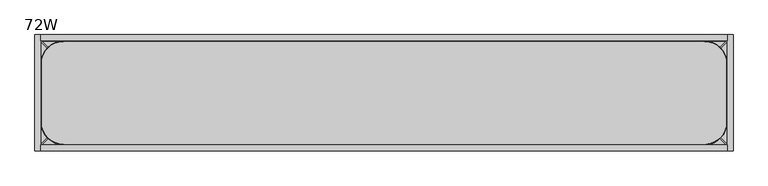
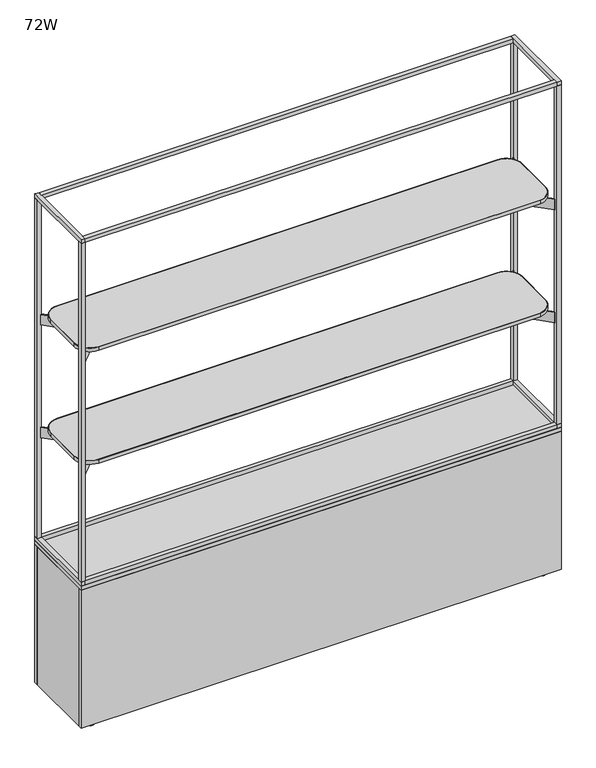
"""IFC4 building model written with IfcOpenShell, lengths in millimetres: furniture geometry, 72W."""

from ifc_helpers import new_model, si_unit, point, frame, frame_2d, origin, place, context, project, spatial, polyline, circle_curve, trimmed, segment, composite_curve, outline, extrude, source, transform, mapped, element, save
from ifc_brep_helpers import plane_surface, cylinder_surface, revolved_surface, advanced_brep


def furniture_72w_34e22013(model_context):
    return source(origin(), model_context, "Body", "SolidModel", [
        extrude(outline(composite_curve([segment(trimmed(circle_curve(frame_2d((75.8254378, -75.8242865)), 59.944), [point((15.8814378, -75.8242865))], [point((75.8254378, -15.8802865))], False, "CARTESIAN"), True, "CONTINUOUS"), segment(polyline([(75.8254378, -15.8802865), (1752.9745622, -15.8802865)]), True, "CONTINUOUS"), segment(trimmed(circle_curve(frame_2d((1752.9745622, -75.8242865)), 59.944), [point((1752.9745622, -15.8802865))], [point((1812.9185622, -75.8242865))], False, "CARTESIAN"), True, "CONTINUOUS"), segment(polyline([(1812.9185622, -75.8242865), (1812.9185622, -229.1877994)]), True, "CONTINUOUS"), segment(trimmed(circle_curve(frame_2d((1752.9745622, -229.1877994)), 59.944), [point((1812.9185622, -229.1877994))], [point((1758.0138969, -288.9196021))], False, "CARTESIAN"), True, "CONTINUOUS"), segment(polyline([(1758.0138969, -288.9196021), (75.9054892, -288.9196021)]), True, "CONTINUOUS"), segment(trimmed(circle_curve(frame_2d((75.9054892, -228.8955507)), 60.0240513), [point((75.9054892, -288.9196021))], [point((15.8814378, -228.8955507))], False, "CARTESIAN"), True, "CONTINUOUS"), segment(polyline([(15.8814378, -228.8955507), (15.8814378, -75.8242865)]), True, "CONTINUOUS")], self_intersect=False), holes=[composite_curve([segment(polyline([(1753.0050916, -17.3811918), (75.7950053, -17.3811918)]), True, "CONTINUOUS"), segment(trimmed(circle_curve(frame_2d((75.7950053, -75.8011918)), 58.42), [point((75.7950053, -17.3811918))], [point((17.3750053, -75.8011918))], True, "CARTESIAN"), True, "CONTINUOUS"), segment(polyline([(17.3750053, -75.8011918), (17.3750053, -228.9211866)]), True, "CONTINUOUS"), segment(trimmed(circle_curve(frame_2d((75.8750567, -228.9211866)), 58.5000513), [point((17.3750053, -228.9211866))], [point((75.8827762, -287.4212374))], True, "CARTESIAN"), True, "CONTINUOUS"), segment(polyline([(75.8827762, -287.4212374), (1757.6701856, -287.4212374)]), True, "CONTINUOUS"), segment(trimmed(circle_curve(frame_2d((1753.0050916, -229.1877994)), 58.42), [point((1757.6701856, -287.4212374))], [point((1811.4250916, -229.1877994))], True, "CARTESIAN"), True, "CONTINUOUS"), segment(polyline([(1811.4250916, -229.1877994), (1811.4250916, -75.8011918)]), True, "CONTINUOUS"), segment(trimmed(circle_curve(frame_2d((1753.0050916, -75.8011918)), 58.42), [point((1811.4250916, -75.8011918))], [point((1753.0050916, -17.3811918))], True, "CARTESIAN"), True, "CONTINUOUS")], self_intersect=False)]), frame((0.0, 0.0, 1504.6380035), z_axis=(0.0, 0.0, 1.0), x_axis=(1.0, 0.0, 0.0)), (0.0, 0.0, 1.0), 13.8177612),
        extrude(outline(polyline([(-161.9665934, 1498.3383551), (-143.317536, 1498.3383551), (-143.317536, 1495.9705532), (-144.4220029, 1494.8660863), (-160.8082501, 1494.8660863), (-161.9665934, 1496.0244297), (-161.9665934, 1498.3383551)])), frame((185.6954716, 0.0, 0.0), z_axis=(1.0, 0.0, 0.0), x_axis=(0.0, 1.0, 0.0)), (0.0, 0.0, 1.0), 1457.4090567),
        extrude(outline(polyline([(-177.0817057, 1504.2068283), (-128.2024237, 1504.2068283), (-128.2024237, 1500.5035098), (-135.8974528, 1496.5826966), (-143.317536, 1494.5944913), (-143.317536, 1498.3383551), (-161.9665934, 1498.3383551), (-161.9665934, 1494.5944913), (-169.3866765, 1496.5826966), (-177.0817057, 1500.5035098), (-177.0817057, 1504.2068283)])), frame((185.6954716, 0.0, 0.0), z_axis=(1.0, 0.0, 0.0), x_axis=(0.0, 1.0, 0.0)), (0.0, 0.0, 1.0), 1457.4090567),
        extrude(outline(polyline([(-161.9665934, 1044.3133551), (-143.317536, 1044.3133551), (-143.317536, 1041.9455532), (-144.4220029, 1040.8410863), (-160.8082501, 1040.8410863), (-161.9665934, 1041.9994297), (-161.9665934, 1044.3133551)])), frame((185.6954716, 0.0, 0.0), z_axis=(1.0, 0.0, 0.0), x_axis=(0.0, 1.0, 0.0)), (0.0, 0.0, 1.0), 1457.4090567),
        extrude(outline(polyline([(-177.0817057, 1050.1818283), (-128.2024237, 1050.1818283), (-128.2024237, 1046.4785098), (-135.8974528, 1042.5576966), (-143.317536, 1040.5694913), (-143.317536, 1044.3133551), (-161.9665934, 1044.3133551), (-161.9665934, 1040.5694913), (-169.3866765, 1042.5576966), (-177.0817057, 1046.4785098), (-177.0817057, 1050.1818283)])), frame((185.6954716, 0.0, 0.0), z_axis=(1.0, 0.0, 0.0), x_axis=(0.0, 1.0, 0.0)), (0.0, 0.0, 1.0), 1457.4090567),
        extrude(outline(composite_curve([segment(trimmed(circle_curve(frame_2d((1753.0050916, -75.8011918)), 58.42), [point((1753.0050916, -17.3811918))], [point((1811.4250916, -75.8011918))], False, "CARTESIAN"), True, "CONTINUOUS"), segment(polyline([(1811.4250916, -75.8011918), (1811.4250916, -229.1877994)]), True, "CONTINUOUS"), segment(trimmed(circle_curve(frame_2d((1753.0050916, -229.1877994)), 58.42), [point((1811.4250916, -229.1877994))], [point((1757.6701856, -287.4212374))], False, "CARTESIAN"), True, "CONTINUOUS"), segment(polyline([(1757.6701856, -287.4212374), (75.8827762, -287.4212374)]), True, "CONTINUOUS"), segment(trimmed(circle_curve(frame_2d((75.8750567, -228.9211866)), 58.5000513), [point((75.8827762, -287.4212374))], [point((17.3750053, -228.9211866))], False, "CARTESIAN"), True, "CONTINUOUS"), segment(polyline([(17.3750053, -228.9211866), (17.3750053, -75.8011918)]), True, "CONTINUOUS"), segment(trimmed(circle_curve(frame_2d((75.7950053, -75.8011918)), 58.42), [point((17.3750053, -75.8011918))], [point((75.7950053, -17.3811918))], False, "CARTESIAN"), True, "CONTINUOUS"), segment(polyline([(75.7950053, -17.3811918), (1753.0050916, -17.3811918)]), True, "CONTINUOUS")], self_intersect=False)), frame((0.0, 0.0, 1504.6380035), z_axis=(0.0, 0.0, 1.0), x_axis=(1.0, 0.0, 0.0)), (0.0, 0.0, 1.0), 13.8177612),
        extrude(outline(composite_curve([segment(trimmed(circle_curve(frame_2d((1752.9745622, -75.8242865)), 59.944), [point((1752.9745622, -15.8802865))], [point((1812.9185622, -75.8242865))], False, "CARTESIAN"), True, "CONTINUOUS"), segment(polyline([(1812.9185622, -75.8242865), (1812.9185622, -229.1877994)]), True, "CONTINUOUS"), segment(trimmed(circle_curve(frame_2d((1752.9745622, -229.1877994)), 59.944), [point((1812.9185622, -229.1877994))], [point((1758.0138969, -288.9196021))], False, "CARTESIAN"), True, "CONTINUOUS"), segment(polyline([(1758.0138969, -288.9196021), (75.9054892, -288.9196021)]), True, "CONTINUOUS"), segment(trimmed(circle_curve(frame_2d((75.9054892, -228.8955507)), 60.0240513), [point((75.9054892, -288.9196021))], [point((15.8814378, -228.8955507))], False, "CARTESIAN"), True, "CONTINUOUS"), segment(polyline([(15.8814378, -228.8955507), (15.8814378, -75.8242865)]), True, "CONTINUOUS"), segment(trimmed(circle_curve(frame_2d((75.8254378, -75.8242865)), 59.944), [point((15.8814378, -75.8242865))], [point((75.8254378, -15.8802865))], False, "CARTESIAN"), True, "CONTINUOUS"), segment(polyline([(75.8254378, -15.8802865), (1752.9745622, -15.8802865)]), True, "CONTINUOUS")], self_intersect=False), holes=[composite_curve([segment(trimmed(circle_curve(frame_2d((75.7950053, -75.8011918)), 58.42), [point((75.7950053, -17.3811918))], [point((17.3750053, -75.8011918))], True, "CARTESIAN"), True, "CONTINUOUS"), segment(polyline([(17.3750053, -75.8011918), (17.3750053, -228.9211866)]), True, "CONTINUOUS"), segment(trimmed(circle_curve(frame_2d((75.8750567, -228.9211866)), 58.5000513), [point((17.3750053, -228.9211866))], [point((75.8827762, -287.4212374))], True, "CARTESIAN"), True, "CONTINUOUS"), segment(polyline([(75.8827762, -287.4212374), (1757.6701856, -287.4212374)]), True, "CONTINUOUS"), segment(trimmed(circle_curve(frame_2d((1753.0050916, -229.1877994)), 58.42), [point((1757.6701856, -287.4212374))], [point((1811.4250916, -229.1877994))], True, "CARTESIAN"), True, "CONTINUOUS"), segment(polyline([(1811.4250916, -229.1877994), (1811.4250916, -75.8011918)]), True, "CONTINUOUS"), segment(trimmed(circle_curve(frame_2d((1753.0050916, -75.8011918)), 58.42), [point((1811.4250916, -75.8011918))], [point((1753.0050916, -17.3811918))], True, "CARTESIAN"), True, "CONTINUOUS"), segment(polyline([(1753.0050916, -17.3811918), (75.7950053, -17.3811918)]), True, "CONTINUOUS")], self_intersect=False)]), frame((0.0, 0.0, 1050.6130035), z_axis=(0.0, 0.0, 1.0), x_axis=(1.0, 0.0, 0.0)), (0.0, 0.0, 1.0), 13.8177612),
        extrude(outline(composite_curve([segment(trimmed(circle_curve(frame_2d((1753.0050916, -75.8011918)), 58.42), [point((1753.0050916, -17.3811918))], [point((1811.4250916, -75.8011918))], False, "CARTESIAN"), True, "CONTINUOUS"), segment(polyline([(1811.4250916, -75.8011918), (1811.4250916, -229.1877994)]), True, "CONTINUOUS"), segment(trimmed(circle_curve(frame_2d((1753.0050916, -229.1877994)), 58.42), [point((1811.4250916, -229.1877994))], [point((1757.6701856, -287.4212374))], False, "CARTESIAN"), True, "CONTINUOUS"), segment(polyline([(1757.6701856, -287.4212374), (75.8827762, -287.4212374)]), True, "CONTINUOUS"), segment(trimmed(circle_curve(frame_2d((75.8750567, -228.9211866)), 58.5000513), [point((75.8827762, -287.4212374))], [point((17.3750053, -228.9211866))], False, "CARTESIAN"), True, "CONTINUOUS"), segment(polyline([(17.3750053, -228.9211866), (17.3750053, -75.8011918)]), True, "CONTINUOUS"), segment(trimmed(circle_curve(frame_2d((75.7950053, -75.8011918)), 58.42), [point((17.3750053, -75.8011918))], [point((75.7950053, -17.3811918))], False, "CARTESIAN"), True, "CONTINUOUS"), segment(polyline([(75.7950053, -17.3811918), (1753.0050916, -17.3811918)]), True, "CONTINUOUS")], self_intersect=False)), frame((0.0, 0.0, 1050.6130035), z_axis=(0.0, 0.0, 1.0), x_axis=(1.0, 0.0, 0.0)), (0.0, 0.0, 1.0), 13.8177612),
        extrude(outline(polyline([(185.6954716, -106.6550188), (185.6954716, -198.1363516), (124.7354716, -198.1363516), (124.7354716, -106.6550188), (185.6954716, -106.6550188)])), frame((0.0, 0.0, 1463.1180573), z_axis=(0.0, 0.0, 1.0), x_axis=(1.0, 0.0, 0.0)), (0.0, 0.0, 1.0), 41.5199463),
        extrude(outline(polyline([(1643.1045284, -106.6550188), (1704.0645284, -106.6550188), (1704.0645284, -198.1363516), (1643.1045284, -198.1363516), (1643.1045284, -106.6550188)])), frame((0.0, 0.0, 1463.1180573), z_axis=(0.0, 0.0, 1.0), x_axis=(1.0, 0.0, 0.0)), (0.0, 0.0, 1.0), 41.5199463),
        extrude(outline(polyline([(185.6954716, -106.6550188), (185.6954716, -198.1363516), (124.7354716, -198.1363516), (124.7354716, -106.6550188), (185.6954716, -106.6550188)])), frame((0.0, 0.0, 1009.0930573), z_axis=(0.0, 0.0, 1.0), x_axis=(1.0, 0.0, 0.0)), (0.0, 0.0, 1.0), 41.5199463),
        extrude(outline(polyline([(1704.0645284, -106.6550188), (1704.0645284, -198.1363516), (1643.1045284, -198.1363516), (1643.1045284, -106.6550188), (1704.0645284, -106.6550188)])), frame((0.0, 0.0, 1009.0930573), z_axis=(0.0, 0.0, 1.0), x_axis=(1.0, 0.0, 0.0)), (0.0, 0.0, 1.0), 41.5199463),
        extrude(outline(composite_curve([segment(polyline([(87.3911774, -89.8157239), (13.4581417, -15.8822522), (15.8765503, -13.4638437), (89.809053, -87.3967582)]), True, "CONTINUOUS"), segment(trimmed(circle_curve(frame_2d((128.3291811, -48.8768447)), 54.4755358), [point((89.809053, -87.3967582))], [point((124.7354716, -103.2337141))], True, "CARTESIAN"), True, "CONTINUOUS"), segment(polyline([(124.7354716, -103.2337141), (1704.0645284, -103.2337141)]), True, "CONTINUOUS"), segment(trimmed(circle_curve(frame_2d((1700.4853714, -48.8831384)), 54.4682976), [point((1704.0645284, -103.2337141))], [point((1739.0002487, -87.3980663))], True, "CARTESIAN"), True, "CONTINUOUS"), segment(polyline([(1739.0002487, -87.3980663), (1812.933139, -13.4652728), (1815.3515597, -15.8836935), (1741.4181244, -89.817032)]), True, "CONTINUOUS"), segment(trimmed(circle_curve(frame_2d((1704.0645284, -56.8031881)), 49.8518307), [point((1741.4181244, -89.817032))], [point((1704.0645284, -106.6550188))], False, "CARTESIAN"), True, "CONTINUOUS"), segment(polyline([(1704.0645284, -106.6550188), (124.7354716, -106.6550188)]), True, "CONTINUOUS"), segment(trimmed(circle_curve(frame_2d((124.7354716, -56.8263835)), 49.8286353), [point((124.7354716, -106.6550188))], [point((87.3911774, -89.8157239))], False, "CARTESIAN"), True, "CONTINUOUS")], self_intersect=False)), frame((0.0, 0.0, 1463.1180573), z_axis=(0.0, 0.0, 1.0), x_axis=(1.0, 0.0, 0.0)), (0.0, 0.0, 1.0), 41.5199463),
        extrude(outline(composite_curve([segment(trimmed(circle_curve(frame_2d((1700.4695146, -255.9344745)), 57.909819), [point((1704.0645284, -198.1363516))], [point((1741.4180275, -214.986136))], False, "CARTESIAN"), True, "CONTINUOUS"), segment(polyline([(1741.4180275, -214.986136), (1815.3448135, -288.9132369), (1812.926405, -291.3316455), (1739.0001518, -217.4051017)]), True, "CONTINUOUS"), segment(trimmed(circle_curve(frame_2d((1704.0645284, -248.0197355)), 46.4516263), [point((1739.0001518, -217.4051017))], [point((1704.0645284, -201.5681092))], True, "CARTESIAN"), True, "CONTINUOUS"), segment(polyline([(1704.0645284, -201.5681092), (124.7354716, -201.5681092)]), True, "CONTINUOUS"), segment(trimmed(circle_curve(frame_2d((128.3250754, -255.9203711)), 54.4706676), [point((124.7354716, -201.5681092))], [point((89.8084717, -217.4038179))], True, "CARTESIAN"), True, "CONTINUOUS"), segment(polyline([(89.8084717, -217.4038179), (15.8821217, -291.3302648), (13.4637131, -288.9118562), (87.390596, -214.9848279)]), True, "CONTINUOUS"), segment(trimmed(circle_curve(frame_2d((124.7354716, -247.9483006)), 49.8119491), [point((87.390596, -214.9848279))], [point((124.7354716, -198.1363516))], False, "CARTESIAN"), True, "CONTINUOUS"), segment(polyline([(124.7354716, -198.1363516), (1704.0645284, -198.1363516)]), True, "CONTINUOUS")], self_intersect=False)), frame((0.0, 0.0, 1463.1180573), z_axis=(0.0, 0.0, 1.0), x_axis=(1.0, 0.0, 0.0)), (0.0, 0.0, 1.0), 41.5199463),
        extrude(outline(composite_curve([segment(polyline([(87.3911774, -89.8157239), (13.4581417, -15.8822522), (15.8765503, -13.4638437), (89.809053, -87.3967582)]), True, "CONTINUOUS"), segment(trimmed(circle_curve(frame_2d((128.3291811, -48.8768447)), 54.4755358), [point((89.809053, -87.3967582))], [point((124.7354716, -103.2337141))], True, "CARTESIAN"), True, "CONTINUOUS"), segment(polyline([(124.7354716, -103.2337141), (1704.0645284, -103.2337141)]), True, "CONTINUOUS"), segment(trimmed(circle_curve(frame_2d((1700.4853714, -48.8831384)), 54.4682976), [point((1704.0645284, -103.2337141))], [point((1739.0002487, -87.3980663))], True, "CARTESIAN"), True, "CONTINUOUS"), segment(polyline([(1739.0002487, -87.3980663), (1812.933139, -13.4652728), (1815.3515597, -15.8836935), (1741.4181244, -89.817032)]), True, "CONTINUOUS"), segment(trimmed(circle_curve(frame_2d((1704.0645284, -56.8031881)), 49.8518307), [point((1741.4181244, -89.817032))], [point((1704.0645284, -106.6550188))], False, "CARTESIAN"), True, "CONTINUOUS"), segment(polyline([(1704.0645284, -106.6550188), (124.7354716, -106.6550188)]), True, "CONTINUOUS"), segment(trimmed(circle_curve(frame_2d((124.7354716, -56.8263835)), 49.8286353), [point((124.7354716, -106.6550188))], [point((87.3911774, -89.8157239))], False, "CARTESIAN"), True, "CONTINUOUS")], self_intersect=False)), frame((0.0, 0.0, 1009.0930573), z_axis=(0.0, 0.0, 1.0), x_axis=(1.0, 0.0, 0.0)), (0.0, 0.0, 1.0), 41.5199463),
        extrude(outline(composite_curve([segment(trimmed(circle_curve(frame_2d((1700.4695146, -255.9344745)), 57.909819), [point((1704.0645284, -198.1363516))], [point((1741.4180275, -214.986136))], False, "CARTESIAN"), True, "CONTINUOUS"), segment(polyline([(1741.4180275, -214.986136), (1815.3448135, -288.9132369), (1812.926405, -291.3316455), (1739.0001518, -217.4051017)]), True, "CONTINUOUS"), segment(trimmed(circle_curve(frame_2d((1704.0645284, -248.0197355)), 46.4516263), [point((1739.0001518, -217.4051017))], [point((1704.0645284, -201.5681092))], True, "CARTESIAN"), True, "CONTINUOUS"), segment(polyline([(1704.0645284, -201.5681092), (124.7354716, -201.5681092)]), True, "CONTINUOUS"), segment(trimmed(circle_curve(frame_2d((128.3250754, -255.9203711)), 54.4706676), [point((124.7354716, -201.5681092))], [point((89.8084717, -217.4038179))], True, "CARTESIAN"), True, "CONTINUOUS"), segment(polyline([(89.8084717, -217.4038179), (15.8821217, -291.3302648), (13.4637131, -288.9118562), (87.390596, -214.9848279)]), True, "CONTINUOUS"), segment(trimmed(circle_curve(frame_2d((124.7354716, -247.9483006)), 49.8119491), [point((87.390596, -214.9848279))], [point((124.7354716, -198.1363516))], False, "CARTESIAN"), True, "CONTINUOUS"), segment(polyline([(124.7354716, -198.1363516), (1704.0645284, -198.1363516)]), True, "CONTINUOUS")], self_intersect=False)), frame((0.0, 0.0, 1009.0930573), z_axis=(0.0, 0.0, 1.0), x_axis=(1.0, 0.0, 0.0)), (0.0, 0.0, 1.0), 41.5199463),
        extrude(outline(polyline([(1812.9185622, 0.0), (1812.9185622, -15.8802865), (15.8814378, -15.8802865), (15.8814378, 0.0), (1812.9185622, 0.0)])), frame((0.0, 0.0, 1969.4305479), z_axis=(0.0, 0.0, 1.0), x_axis=(1.0, 0.0, 0.0)), (0.0, 0.0, 1.0), 15.3798752),
        extrude(outline(polyline([(1812.9185622, -288.9196021), (1812.9185622, -304.8), (15.8814378, -304.8), (15.8814378, -288.9196021), (1812.9185622, -288.9196021)])), frame((0.0, 0.0, 1969.4305479), z_axis=(0.0, 0.0, 1.0), x_axis=(1.0, 0.0, 0.0)), (0.0, 0.0, 1.0), 15.3798752),
        extrude(outline(polyline([(1812.9185622, 0.0), (1812.9185622, -15.8802865), (15.8814378, -15.8802865), (15.8814378, 0.0), (1812.9185622, 0.0)])), frame((0.0, 0.0, 591.366423), z_axis=(0.0, 0.0, 1.0), x_axis=(1.0, 0.0, 0.0)), (0.0, 0.0, 1.0), 15.8800385),
        extrude(outline(polyline([(1812.9185622, -288.9196021), (1812.9185622, -304.8), (15.8814378, -304.8), (15.8814378, -288.9196021), (1812.9185622, -288.9196021)])), frame((0.0, 0.0, 591.366423), z_axis=(0.0, 0.0, 1.0), x_axis=(1.0, 0.0, 0.0)), (0.0, 0.0, 1.0), 15.8800385),
        extrude(outline(polyline([(15.8814378, 0.0), (15.8814378, -15.8802865), (0.0, -15.8802865), (0.0, 0.0), (15.8814378, 0.0)])), frame((0.0, 0.0, 607.2464615), z_axis=(0.0, 0.0, 1.0), x_axis=(1.0, 0.0, 0.0)), (0.0, 0.0, 1.0), 1362.1840864),
        extrude(outline(polyline([(15.8814378, -304.8), (0.0, -304.8), (0.0, -288.9196021), (15.8814378, -288.9196021), (15.8814378, -304.8)])), frame((0.0, 0.0, 607.2464615), z_axis=(0.0, 0.0, 1.0), x_axis=(1.0, 0.0, 0.0)), (0.0, 0.0, 1.0), 1362.1840864),
        extrude(outline(polyline([(1812.9185622, -304.8), (1812.9185622, -288.9196021), (1828.8, -288.9196021), (1828.8, -304.8), (1812.9185622, -304.8)])), frame((0.0, 0.0, 607.2464615), z_axis=(0.0, 0.0, 1.0), x_axis=(1.0, 0.0, 0.0)), (0.0, 0.0, 1.0), 1362.1840864),
        extrude(outline(polyline([(1828.8, 0.0), (1828.8, -15.8802865), (1812.9185622, -15.8802865), (1812.9185622, 0.0), (1828.8, 0.0)])), frame((0.0, 0.0, 607.2464615), z_axis=(0.0, 0.0, 1.0), x_axis=(1.0, 0.0, 0.0)), (0.0, 0.0, 1.0), 1362.1840864),
        extrude(outline(polyline([(15.8814378, 0.0), (15.8814378, -304.8), (0.0, -304.8), (0.0, 0.0), (15.8814378, 0.0)])), frame((0.0, 0.0, 1969.4305479), z_axis=(0.0, 0.0, 1.0), x_axis=(1.0, 0.0, 0.0)), (0.0, 0.0, 1.0), 15.3798752),
        extrude(outline(polyline([(1828.8, 0.0), (1828.8, -304.8), (1812.9185622, -304.8), (1812.9185622, 0.0), (1828.8, 0.0)])), frame((0.0, 0.0, 1969.4305479), z_axis=(0.0, 0.0, 1.0), x_axis=(1.0, 0.0, 0.0)), (0.0, 0.0, 1.0), 15.3798752),
        extrude(outline(polyline([(15.8814378, 0.0), (15.8814378, -304.8), (0.0, -304.8), (0.0, 0.0), (15.8814378, 0.0)])), frame((0.0, 0.0, 591.366423), z_axis=(0.0, 0.0, 1.0), x_axis=(1.0, 0.0, 0.0)), (0.0, 0.0, 1.0), 15.8800385),
        extrude(outline(polyline([(1828.8, 0.0), (1828.8, -304.8), (1812.9185622, -304.8), (1812.9185622, 0.0), (1828.8, 0.0)])), frame((0.0, 0.0, 591.366423), z_axis=(0.0, 0.0, 1.0), x_axis=(1.0, 0.0, 0.0)), (0.0, 0.0, 1.0), 15.8800385),
        advanced_brep(
        [(1761.6272617, -271.5259334, 0.0), (1787.0491543, -271.5259334, 0.0), (1774.338208, -271.5259334, 0.0), (1774.338208, -271.5259334, 19.3136951), (1778.3127534, -271.5259334, 19.3136951), (1770.3636626, -271.5259334, 19.3136951), (1778.3127534, -271.5259334, 17.5685649), (1770.3636626, -271.5259334, 17.5685649), (1779.8118035, -271.5259334, 14.972134), (1768.8646125, -271.5259334, 14.972134), (1782.3357304, -271.5259334, 14.0032892), (1766.3406856, -271.5259334, 14.0032892), (1782.3357304, -271.5259334, 10.3232424), (1766.3406856, -271.5259334, 10.3232424), (1781.3964898, -271.5259334, 10.3232424), (1767.2799262, -271.5259334, 10.3232424), (1781.3964898, -271.5259334, 8.9619405), (1767.2799262, -271.5259334, 8.9619405), (1789.4002193, -271.5259334, 3.3576688), (1759.2761967, -271.5259334, 3.3576688)],
        [
            (0, 1, circle_curve(frame((1774.338208, -271.5259334, 0.0), z_axis=(0.0, 0.0, -1.0), x_axis=(1.0, 0.0, 0.0)), 12.7109463)),
            (1, 2),
            (2, 0),
            (1, 0, circle_curve(frame((1774.338208, -271.5259334, 0.0), z_axis=(0.0, 0.0, -1.0), x_axis=(1.0, 0.0, 0.0)), 12.7109463)),
            (3, 4),
            (4, 5, circle_curve(frame((1774.338208, -271.5259334, 19.3136951), z_axis=(0.0, 0.0, 1.0), x_axis=(1.0, 0.0, 0.0)), 3.9745454)),
            (5, 3),
            (5, 4, circle_curve(frame((1774.338208, -271.5259334, 19.3136951), z_axis=(0.0, 0.0, 1.0), x_axis=(1.0, 0.0, 0.0)), 3.9745454)),
            (4, 6),
            (6, 7, circle_curve(frame((1774.338208, -271.5259334, 17.5685649), z_axis=(0.0, 0.0, 1.0), x_axis=(1.0, 0.0, 0.0)), 3.9745454)),
            (7, 5),
            (7, 6, circle_curve(frame((1774.338208, -271.5259334, 17.5685649), z_axis=(0.0, 0.0, 1.0), x_axis=(1.0, 0.0, 0.0)), 3.9745454)),
            (6, 8),
            (8, 9, circle_curve(frame((1774.338208, -271.5259334, 14.972134), z_axis=(0.0, 0.0, 1.0), x_axis=(1.0, 0.0, 0.0)), 5.4735955)),
            (9, 7),
            (9, 8, circle_curve(frame((1774.338208, -271.5259334, 14.972134), z_axis=(0.0, 0.0, 1.0), x_axis=(1.0, 0.0, 0.0)), 5.4735955)),
            (8, 10),
            (10, 11, circle_curve(frame((1774.338208, -271.5259334, 14.0032892), z_axis=(0.0, 0.0, 1.0), x_axis=(1.0, 0.0, 0.0)), 7.9975224)),
            (11, 9),
            (11, 10, circle_curve(frame((1774.338208, -271.5259334, 14.0032892), z_axis=(0.0, 0.0, 1.0), x_axis=(1.0, 0.0, 0.0)), 7.9975224)),
            (10, 12),
            (12, 13, circle_curve(frame((1774.338208, -271.5259334, 10.3232424), z_axis=(0.0, 0.0, 1.0), x_axis=(1.0, 0.0, 0.0)), 7.9975224)),
            (13, 11),
            (13, 12, circle_curve(frame((1774.338208, -271.5259334, 10.3232424), z_axis=(0.0, 0.0, 1.0), x_axis=(1.0, 0.0, 0.0)), 7.9975224)),
            (12, 14),
            (14, 15, circle_curve(frame((1774.338208, -271.5259334, 10.3232424), z_axis=(0.0, 0.0, 1.0), x_axis=(1.0, 0.0, 0.0)), 7.0582818)),
            (15, 13),
            (15, 14, circle_curve(frame((1774.338208, -271.5259334, 10.3232424), z_axis=(0.0, 0.0, 1.0), x_axis=(1.0, 0.0, 0.0)), 7.0582818)),
            (14, 16),
            (16, 17, circle_curve(frame((1774.338208, -271.5259334, 8.9619405), z_axis=(0.0, 0.0, 1.0), x_axis=(1.0, 0.0, 0.0)), 7.0582818)),
            (17, 15),
            (17, 16, circle_curve(frame((1774.338208, -271.5259334, 8.9619405), z_axis=(0.0, 0.0, 1.0), x_axis=(1.0, 0.0, 0.0)), 7.0582818)),
            (16, 18),
            (18, 19, circle_curve(frame((1774.338208, -271.5259334, 3.3576688), z_axis=(0.0, 0.0, 1.0), x_axis=(1.0, 0.0, 0.0)), 15.0620113)),
            (19, 17),
            (19, 18, circle_curve(frame((1774.338208, -271.5259334, 3.3576688), z_axis=(0.0, 0.0, 1.0), x_axis=(1.0, 0.0, 0.0)), 15.0620113)),
            (18, 1),
            (0, 19),
        ],
        [
            plane_surface(frame((1774.338208, -271.5259334, 0.0), z_axis=(0.0, 0.0, -1.0), x_axis=(1.0, 0.0, 0.0))),
            plane_surface(frame((1774.338208, -271.5259334, 19.3136951), z_axis=(0.0, 0.0, 1.0), x_axis=(1.0, 0.0, 0.0))),
            cylinder_surface(frame((1774.338208, -271.5259334, -304.8), z_axis=(0.0, 0.0, 1.0), x_axis=(1.0, 0.0, 0.0)), 3.9745454),
            revolved_surface(polyline([(1779.8118035, -271.5259334, 14.972134), (1778.3127534, -271.5259334, 17.5685649)]), (1774.338208, -271.5259334, -304.8), (0.0, 0.0, 1.0)),
            revolved_surface(polyline([(1782.3357304, -271.5259334, 14.0032892), (1779.8118035, -271.5259334, 14.972134)]), (1774.338208, -271.5259334, -304.8), (0.0, 0.0, 1.0)),
            cylinder_surface(frame((1774.338208, -271.5259334, -304.8), z_axis=(0.0, 0.0, 1.0), x_axis=(1.0, 0.0, 0.0)), 7.9975224),
            plane_surface(frame((1774.338208, -271.5259334, 10.3232424), z_axis=(0.0, 0.0, -1.0), x_axis=(1.0, 0.0, 0.0))),
            cylinder_surface(frame((1774.338208, -271.5259334, -304.8), z_axis=(0.0, 0.0, 1.0), x_axis=(1.0, 0.0, 0.0)), 7.0582818),
            revolved_surface(polyline([(1789.4002193, -271.5259334, 3.3576688), (1781.3964898, -271.5259334, 8.9619405)]), (1774.338208, -271.5259334, -304.8), (0.0, 0.0, 1.0)),
            revolved_surface(polyline([(1787.0491543, -271.5259334, 0.0), (1789.4002193, -271.5259334, 3.3576688)]), (1774.338208, -271.5259334, -304.8), (0.0, 0.0, 1.0)),
        ],
        [
            (0, [[1, 2, 3]]),
            (0, [[4, -3, -2]]),
            (1, [[5, 6, 7]]),
            (1, [[-7, 8, -5]]),
            (2, [[-6, 9, 10, 11]]),
            (2, [[-8, -11, 12, -9]]),
            (3, [[-10, 13, 14, 15]]),
            (3, [[-12, -15, 16, -13]]),
            (4, [[-14, 17, 18, 19]]),
            (4, [[-16, -19, 20, -17]]),
            (5, [[-18, 21, 22, 23]]),
            (5, [[-20, -23, 24, -21]]),
            (6, [[-22, 25, 26, 27]]),
            (6, [[-24, -27, 28, -25]]),
            (7, [[-26, 29, 30, 31]]),
            (7, [[-28, -31, 32, -29]]),
            (8, [[-30, 33, 34, 35]]),
            (8, [[-32, -35, 36, -33]]),
            (9, [[-34, 37, -1, 38]]),
            (9, [[-36, -38, -4, -37]]),
        ],
    ),
        advanced_brep(
        [(1761.6272617, -33.2572239, 0.0), (1787.0491543, -33.2572239, 0.0), (1774.338208, -33.2572239, 0.0), (1774.338208, -33.2572239, 19.3136951), (1778.3127534, -33.2572239, 19.3136951), (1770.3636626, -33.2572239, 19.3136951), (1778.3127534, -33.2572239, 17.5685649), (1770.3636626, -33.2572239, 17.5685649), (1779.8118035, -33.2572239, 14.972134), (1768.8646125, -33.2572239, 14.972134), (1782.3357304, -33.2572239, 14.0032892), (1766.3406856, -33.2572239, 14.0032892), (1782.3357304, -33.2572239, 10.3232424), (1766.3406856, -33.2572239, 10.3232424), (1781.3964898, -33.2572239, 10.3232424), (1767.2799262, -33.2572239, 10.3232424), (1781.3964898, -33.2572239, 8.9619405), (1767.2799262, -33.2572239, 8.9619405), (1789.4002193, -33.2572239, 3.3576688), (1759.2761967, -33.2572239, 3.3576688)],
        [
            (0, 1, circle_curve(frame((1774.338208, -33.2572239, 0.0), z_axis=(0.0, 0.0, -1.0), x_axis=(1.0, 0.0, 0.0)), 12.7109463)),
            (1, 2),
            (2, 0),
            (1, 0, circle_curve(frame((1774.338208, -33.2572239, 0.0), z_axis=(0.0, 0.0, -1.0), x_axis=(1.0, 0.0, 0.0)), 12.7109463)),
            (3, 4),
            (4, 5, circle_curve(frame((1774.338208, -33.2572239, 19.3136951), z_axis=(0.0, 0.0, 1.0), x_axis=(1.0, 0.0, 0.0)), 3.9745454)),
            (5, 3),
            (5, 4, circle_curve(frame((1774.338208, -33.2572239, 19.3136951), z_axis=(0.0, 0.0, 1.0), x_axis=(1.0, 0.0, 0.0)), 3.9745454)),
            (4, 6),
            (6, 7, circle_curve(frame((1774.338208, -33.2572239, 17.5685649), z_axis=(0.0, 0.0, 1.0), x_axis=(1.0, 0.0, 0.0)), 3.9745454)),
            (7, 5),
            (7, 6, circle_curve(frame((1774.338208, -33.2572239, 17.5685649), z_axis=(0.0, 0.0, 1.0), x_axis=(1.0, 0.0, 0.0)), 3.9745454)),
            (6, 8),
            (8, 9, circle_curve(frame((1774.338208, -33.2572239, 14.972134), z_axis=(0.0, 0.0, 1.0), x_axis=(1.0, 0.0, 0.0)), 5.4735955)),
            (9, 7),
            (9, 8, circle_curve(frame((1774.338208, -33.2572239, 14.972134), z_axis=(0.0, 0.0, 1.0), x_axis=(1.0, 0.0, 0.0)), 5.4735955)),
            (8, 10),
            (10, 11, circle_curve(frame((1774.338208, -33.2572239, 14.0032892), z_axis=(0.0, 0.0, 1.0), x_axis=(1.0, 0.0, 0.0)), 7.9975224)),
            (11, 9),
            (11, 10, circle_curve(frame((1774.338208, -33.2572239, 14.0032892), z_axis=(0.0, 0.0, 1.0), x_axis=(1.0, 0.0, 0.0)), 7.9975224)),
            (10, 12),
            (12, 13, circle_curve(frame((1774.338208, -33.2572239, 10.3232424), z_axis=(0.0, 0.0, 1.0), x_axis=(1.0, 0.0, 0.0)), 7.9975224)),
            (13, 11),
            (13, 12, circle_curve(frame((1774.338208, -33.2572239, 10.3232424), z_axis=(0.0, 0.0, 1.0), x_axis=(1.0, 0.0, 0.0)), 7.9975224)),
            (12, 14),
            (14, 15, circle_curve(frame((1774.338208, -33.2572239, 10.3232424), z_axis=(0.0, 0.0, 1.0), x_axis=(1.0, 0.0, 0.0)), 7.0582818)),
            (15, 13),
            (15, 14, circle_curve(frame((1774.338208, -33.2572239, 10.3232424), z_axis=(0.0, 0.0, 1.0), x_axis=(1.0, 0.0, 0.0)), 7.0582818)),
            (14, 16),
            (16, 17, circle_curve(frame((1774.338208, -33.2572239, 8.9619405), z_axis=(0.0, 0.0, 1.0), x_axis=(1.0, 0.0, 0.0)), 7.0582818)),
            (17, 15),
            (17, 16, circle_curve(frame((1774.338208, -33.2572239, 8.9619405), z_axis=(0.0, 0.0, 1.0), x_axis=(1.0, 0.0, 0.0)), 7.0582818)),
            (16, 18),
            (18, 19, circle_curve(frame((1774.338208, -33.2572239, 3.3576688), z_axis=(0.0, 0.0, 1.0), x_axis=(1.0, 0.0, 0.0)), 15.0620113)),
            (19, 17),
            (19, 18, circle_curve(frame((1774.338208, -33.2572239, 3.3576688), z_axis=(0.0, 0.0, 1.0), x_axis=(1.0, 0.0, 0.0)), 15.0620113)),
            (18, 1),
            (0, 19),
        ],
        [
            plane_surface(frame((1774.338208, -33.2572239, 0.0), z_axis=(0.0, 0.0, -1.0), x_axis=(1.0, 0.0, 0.0))),
            plane_surface(frame((1774.338208, -33.2572239, 19.3136951), z_axis=(0.0, 0.0, 1.0), x_axis=(1.0, 0.0, 0.0))),
            cylinder_surface(frame((1774.338208, -33.2572239, -304.8), z_axis=(0.0, 0.0, 1.0), x_axis=(1.0, 0.0, 0.0)), 3.9745454),
            revolved_surface(polyline([(1779.8118035, -33.2572239, 14.972134), (1778.3127534, -33.2572239, 17.5685649)]), (1774.338208, -33.2572239, -304.8), (0.0, 0.0, 1.0)),
            revolved_surface(polyline([(1782.3357304, -33.2572239, 14.0032892), (1779.8118035, -33.2572239, 14.972134)]), (1774.338208, -33.2572239, -304.8), (0.0, 0.0, 1.0)),
            cylinder_surface(frame((1774.338208, -33.2572239, -304.8), z_axis=(0.0, 0.0, 1.0), x_axis=(1.0, 0.0, 0.0)), 7.9975224),
            plane_surface(frame((1774.338208, -33.2572239, 10.3232424), z_axis=(0.0, 0.0, -1.0), x_axis=(1.0, 0.0, 0.0))),
            cylinder_surface(frame((1774.338208, -33.2572239, -304.8), z_axis=(0.0, 0.0, 1.0), x_axis=(1.0, 0.0, 0.0)), 7.0582818),
            revolved_surface(polyline([(1789.4002193, -33.2572239, 3.3576688), (1781.3964898, -33.2572239, 8.9619405)]), (1774.338208, -33.2572239, -304.8), (0.0, 0.0, 1.0)),
            revolved_surface(polyline([(1787.0491543, -33.2572239, 0.0), (1789.4002193, -33.2572239, 3.3576688)]), (1774.338208, -33.2572239, -304.8), (0.0, 0.0, 1.0)),
        ],
        [
            (0, [[1, 2, 3]]),
            (0, [[4, -3, -2]]),
            (1, [[5, 6, 7]]),
            (1, [[-7, 8, -5]]),
            (2, [[-6, 9, 10, 11]]),
            (2, [[-8, -11, 12, -9]]),
            (3, [[-10, 13, 14, 15]]),
            (3, [[-12, -15, 16, -13]]),
            (4, [[-14, 17, 18, 19]]),
            (4, [[-16, -19, 20, -17]]),
            (5, [[-18, 21, 22, 23]]),
            (5, [[-20, -23, 24, -21]]),
            (6, [[-22, 25, 26, 27]]),
            (6, [[-24, -27, 28, -25]]),
            (7, [[-26, 29, 30, 31]]),
            (7, [[-28, -31, 32, -29]]),
            (8, [[-30, 33, 34, 35]]),
            (8, [[-32, -35, 36, -33]]),
            (9, [[-34, 37, -1, 38]]),
            (9, [[-36, -38, -4, -37]]),
        ],
    ),
        advanced_brep(
        [(67.1725886, -272.2343697, 0.0), (41.7506961, -272.23434, 0.0), (54.4616423, -272.2343548, 0.0), (54.4616423, -272.2343548, 19.3136951), (50.4870969, -272.2343502, 19.3136951), (58.4361878, -272.2343595, 19.3136951), (50.4870969, -272.2343502, 17.5685649), (58.4361878, -272.2343595, 17.5685649), (48.9880468, -272.2343485, 14.972134), (59.9352379, -272.2343612, 14.972134), (46.46412, -272.2343455, 14.0032892), (62.4591647, -272.2343642, 14.0032892), (46.46412, -272.2343455, 10.3232424), (62.4591647, -272.2343642, 10.3232424), (47.4033606, -272.2343466, 10.3232424), (61.5199241, -272.2343631, 10.3232424), (47.4033606, -272.2343466, 8.9619405), (61.5199241, -272.2343631, 8.9619405), (39.3996311, -272.2343373, 3.3576688), (69.5236536, -272.2343724, 3.3576688)],
        [
            (0, 1, circle_curve(frame((54.4616423, -272.2343548, 0.0), z_axis=(0.0, 0.0, -1.0), x_axis=(-0.999999999999319, 1.1670755062646865e-06, 0.0)), 12.7109463)),
            (1, 2),
            (2, 0),
            (1, 0, circle_curve(frame((54.4616423, -272.2343548, 0.0), z_axis=(0.0, 0.0, -1.0), x_axis=(-0.999999999999319, 1.1670755062646865e-06, 0.0)), 12.7109463)),
            (3, 4),
            (4, 5, circle_curve(frame((54.4616423, -272.2343548, 19.3136951), z_axis=(0.0, 0.0, 1.0), x_axis=(-0.999999999999319, 1.1670755062646865e-06, 0.0)), 3.9745454)),
            (5, 3),
            (5, 4, circle_curve(frame((54.4616423, -272.2343548, 19.3136951), z_axis=(0.0, 0.0, 1.0), x_axis=(-0.999999999999319, 1.1670755062646865e-06, 0.0)), 3.9745454)),
            (4, 6),
            (6, 7, circle_curve(frame((54.4616423, -272.2343548, 17.5685649), z_axis=(0.0, 0.0, 1.0), x_axis=(-0.999999999999319, 1.1670755062646865e-06, 0.0)), 3.9745454)),
            (7, 5),
            (7, 6, circle_curve(frame((54.4616423, -272.2343548, 17.5685649), z_axis=(0.0, 0.0, 1.0), x_axis=(-0.999999999999319, 1.1670755062646865e-06, 0.0)), 3.9745454)),
            (6, 8),
            (8, 9, circle_curve(frame((54.4616423, -272.2343548, 14.972134), z_axis=(0.0, 0.0, 1.0), x_axis=(-0.999999999999319, 1.1670755062646865e-06, 0.0)), 5.4735955)),
            (9, 7),
            (9, 8, circle_curve(frame((54.4616423, -272.2343548, 14.972134), z_axis=(0.0, 0.0, 1.0), x_axis=(-0.999999999999319, 1.1670755062646865e-06, 0.0)), 5.4735955)),
            (8, 10),
            (10, 11, circle_curve(frame((54.4616423, -272.2343548, 14.0032892), z_axis=(0.0, 0.0, 1.0), x_axis=(-0.999999999999319, 1.1670755062646865e-06, 0.0)), 7.9975224)),
            (11, 9),
            (11, 10, circle_curve(frame((54.4616423, -272.2343548, 14.0032892), z_axis=(0.0, 0.0, 1.0), x_axis=(-0.999999999999319, 1.1670755062646865e-06, 0.0)), 7.9975224)),
            (10, 12),
            (12, 13, circle_curve(frame((54.4616423, -272.2343548, 10.3232424), z_axis=(0.0, 0.0, 1.0), x_axis=(-0.999999999999319, 1.1670755062646865e-06, 0.0)), 7.9975224)),
            (13, 11),
            (13, 12, circle_curve(frame((54.4616423, -272.2343548, 10.3232424), z_axis=(0.0, 0.0, 1.0), x_axis=(-0.999999999999319, 1.1670755062646865e-06, 0.0)), 7.9975224)),
            (12, 14),
            (14, 15, circle_curve(frame((54.4616423, -272.2343548, 10.3232424), z_axis=(0.0, 0.0, 1.0), x_axis=(-0.999999999999319, 1.1670755062646865e-06, 0.0)), 7.0582818)),
            (15, 13),
            (15, 14, circle_curve(frame((54.4616423, -272.2343548, 10.3232424), z_axis=(0.0, 0.0, 1.0), x_axis=(-0.999999999999319, 1.1670755062646865e-06, 0.0)), 7.0582818)),
            (14, 16),
            (16, 17, circle_curve(frame((54.4616423, -272.2343548, 8.9619405), z_axis=(0.0, 0.0, 1.0), x_axis=(-0.999999999999319, 1.1670755062646865e-06, 0.0)), 7.0582818)),
            (17, 15),
            (17, 16, circle_curve(frame((54.4616423, -272.2343548, 8.9619405), z_axis=(0.0, 0.0, 1.0), x_axis=(-0.999999999999319, 1.1670755062646865e-06, 0.0)), 7.0582818)),
            (16, 18),
            (18, 19, circle_curve(frame((54.4616423, -272.2343548, 3.3576688), z_axis=(0.0, 0.0, 1.0), x_axis=(-0.999999999999319, 1.1670755062646865e-06, 0.0)), 15.0620113)),
            (19, 17),
            (19, 18, circle_curve(frame((54.4616423, -272.2343548, 3.3576688), z_axis=(0.0, 0.0, 1.0), x_axis=(-0.999999999999319, 1.1670755062646865e-06, 0.0)), 15.0620113)),
            (18, 1),
            (0, 19),
        ],
        [
            plane_surface(frame((54.4616423, -272.2343548, 0.0), z_axis=(0.0, 0.0, -1.0), x_axis=(-0.999999999999319, 1.1670755062646865e-06, 0.0))),
            plane_surface(frame((54.4616423, -272.2343548, 19.3136951), z_axis=(0.0, 0.0, 1.0), x_axis=(-0.999999999999319, 1.1670755062646865e-06, 0.0))),
            cylinder_surface(frame((54.4616423, -272.2343548, -304.8), z_axis=(0.0, 0.0, 1.0), x_axis=(-0.999999999999319, 1.1670755062646865e-06, 0.0)), 3.9745454),
            revolved_surface(polyline([(48.9880468, -272.2343485, 14.972134), (50.4870969, -272.2343502, 17.5685649)]), (54.4616423, -272.2343548, -304.8), (0.0, 0.0, 1.0)),
            revolved_surface(polyline([(46.46412, -272.2343455, 14.0032892), (48.9880468, -272.2343485, 14.972134)]), (54.4616423, -272.2343548, -304.8), (0.0, 0.0, 1.0)),
            cylinder_surface(frame((54.4616423, -272.2343548, -304.8), z_axis=(0.0, 0.0, 1.0), x_axis=(-0.999999999999319, 1.1670755062646865e-06, 0.0)), 7.9975224),
            plane_surface(frame((54.4616423, -272.2343548, 10.3232424), z_axis=(0.0, 0.0, -1.0), x_axis=(-0.999999999999319, 1.1670755062646865e-06, 0.0))),
            cylinder_surface(frame((54.4616423, -272.2343548, -304.8), z_axis=(0.0, 0.0, 1.0), x_axis=(-0.999999999999319, 1.1670755062646865e-06, 0.0)), 7.0582818),
            revolved_surface(polyline([(39.3996311, -272.2343373, 3.3576688), (47.4033606, -272.2343466, 8.9619405)]), (54.4616423, -272.2343548, -304.8), (0.0, 0.0, 1.0)),
            revolved_surface(polyline([(41.7506961, -272.23434, 0.0), (39.3996311, -272.2343373, 3.3576688)]), (54.4616423, -272.2343548, -304.8), (0.0, 0.0, 1.0)),
        ],
        [
            (0, [[1, 2, 3]]),
            (0, [[4, -3, -2]]),
            (1, [[5, 6, 7]]),
            (1, [[-7, 8, -5]]),
            (2, [[-6, 9, 10, 11]]),
            (2, [[-8, -11, 12, -9]]),
            (3, [[-10, 13, 14, 15]]),
            (3, [[-12, -15, 16, -13]]),
            (4, [[-14, 17, 18, 19]]),
            (4, [[-16, -19, 20, -17]]),
            (5, [[-18, 21, 22, 23]]),
            (5, [[-20, -23, 24, -21]]),
            (6, [[-22, 25, 26, 27]]),
            (6, [[-24, -27, 28, -25]]),
            (7, [[-26, 29, 30, 31]]),
            (7, [[-28, -31, 32, -29]]),
            (8, [[-30, 33, 34, 35]]),
            (8, [[-32, -35, 36, -33]]),
            (9, [[-34, 37, -1, 38]]),
            (9, [[-36, -38, -4, -37]]),
        ],
    ),
        advanced_brep(
        [(54.461792, -33.2572239, 0.0), (41.7508457, -33.2572239, 0.0), (67.1727383, -33.2572239, 0.0), (58.4363374, -33.2572239, 19.3136951), (50.4872466, -33.2572239, 19.3136951), (54.461792, -33.2572239, 19.3136951), (58.4363374, -33.2572239, 17.5685649), (50.4872466, -33.2572239, 17.5685649), (59.9353875, -33.2572239, 14.972134), (48.9881965, -33.2572239, 14.972134), (62.4593144, -33.2572239, 14.0032892), (46.4642696, -33.2572239, 14.0032892), (62.4593144, -33.2572239, 10.3232424), (46.4642696, -33.2572239, 10.3232424), (61.5200738, -33.2572239, 10.3232424), (47.4035102, -33.2572239, 10.3232424), (61.5200738, -33.2572239, 8.9619405), (47.4035102, -33.2572239, 8.9619405), (69.5238033, -33.2572239, 3.3576688), (39.3997807, -33.2572239, 3.3576688)],
        [
            (0, 1),
            (1, 2, circle_curve(frame((54.461792, -33.2572239, 0.0), z_axis=(0.0, 0.0, -1.0), x_axis=(-1.0, 0.0, 0.0)), 12.7109463)),
            (2, 0),
            (2, 1, circle_curve(frame((54.461792, -33.2572239, 0.0), z_axis=(0.0, 0.0, -1.0), x_axis=(-1.0, 0.0, 0.0)), 12.7109463)),
            (3, 4, circle_curve(frame((54.461792, -33.2572239, 19.3136951), z_axis=(0.0, 0.0, 1.0), x_axis=(-1.0, 0.0, 0.0)), 3.9745454)),
            (4, 5),
            (5, 3),
            (4, 3, circle_curve(frame((54.461792, -33.2572239, 19.3136951), z_axis=(0.0, 0.0, 1.0), x_axis=(-1.0, 0.0, 0.0)), 3.9745454)),
            (6, 7, circle_curve(frame((54.461792, -33.2572239, 17.5685649), z_axis=(0.0, 0.0, 1.0), x_axis=(-1.0, 0.0, 0.0)), 3.9745454)),
            (7, 4),
            (3, 6),
            (7, 6, circle_curve(frame((54.461792, -33.2572239, 17.5685649), z_axis=(0.0, 0.0, 1.0), x_axis=(-1.0, 0.0, 0.0)), 3.9745454)),
            (8, 9, circle_curve(frame((54.461792, -33.2572239, 14.972134), z_axis=(0.0, 0.0, 1.0), x_axis=(-1.0, 0.0, 0.0)), 5.4735955)),
            (9, 7),
            (6, 8),
            (9, 8, circle_curve(frame((54.461792, -33.2572239, 14.972134), z_axis=(0.0, 0.0, 1.0), x_axis=(-1.0, 0.0, 0.0)), 5.4735955)),
            (10, 11, circle_curve(frame((54.461792, -33.2572239, 14.0032892), z_axis=(0.0, 0.0, 1.0), x_axis=(-1.0, 0.0, 0.0)), 7.9975224)),
            (11, 9),
            (8, 10),
            (11, 10, circle_curve(frame((54.461792, -33.2572239, 14.0032892), z_axis=(0.0, 0.0, 1.0), x_axis=(-1.0, 0.0, 0.0)), 7.9975224)),
            (12, 13, circle_curve(frame((54.461792, -33.2572239, 10.3232424), z_axis=(0.0, 0.0, 1.0), x_axis=(-1.0, 0.0, 0.0)), 7.9975224)),
            (13, 11),
            (10, 12),
            (13, 12, circle_curve(frame((54.461792, -33.2572239, 10.3232424), z_axis=(0.0, 0.0, 1.0), x_axis=(-1.0, 0.0, 0.0)), 7.9975224)),
            (14, 15, circle_curve(frame((54.461792, -33.2572239, 10.3232424), z_axis=(0.0, 0.0, 1.0), x_axis=(-1.0, 0.0, 0.0)), 7.0582818)),
            (15, 13),
            (12, 14),
            (15, 14, circle_curve(frame((54.461792, -33.2572239, 10.3232424), z_axis=(0.0, 0.0, 1.0), x_axis=(-1.0, 0.0, 0.0)), 7.0582818)),
            (16, 17, circle_curve(frame((54.461792, -33.2572239, 8.9619405), z_axis=(0.0, 0.0, 1.0), x_axis=(-1.0, 0.0, 0.0)), 7.0582818)),
            (17, 15),
            (14, 16),
            (17, 16, circle_curve(frame((54.461792, -33.2572239, 8.9619405), z_axis=(0.0, 0.0, 1.0), x_axis=(-1.0, 0.0, 0.0)), 7.0582818)),
            (18, 19, circle_curve(frame((54.461792, -33.2572239, 3.3576688), z_axis=(0.0, 0.0, 1.0), x_axis=(-1.0, 0.0, 0.0)), 15.0620113)),
            (19, 17),
            (16, 18),
            (19, 18, circle_curve(frame((54.461792, -33.2572239, 3.3576688), z_axis=(0.0, 0.0, 1.0), x_axis=(-1.0, 0.0, 0.0)), 15.0620113)),
            (1, 19),
            (18, 2),
        ],
        [
            plane_surface(frame((54.461792, -33.2572239, 0.0), z_axis=(0.0, 0.0, -1.0), x_axis=(-1.0, 0.0, 0.0))),
            plane_surface(frame((54.461792, -33.2572239, 19.3136951), z_axis=(0.0, 0.0, 1.0), x_axis=(-1.0, 0.0, 0.0))),
            cylinder_surface(frame((54.461792, -33.2572239, -304.8), z_axis=(0.0, 0.0, -1.0), x_axis=(-1.0, 0.0, 0.0)), 3.9745454),
            revolved_surface(polyline([(50.4872466, -33.2572239, 17.5685649), (48.9881965, -33.2572239, 14.972134)]), (54.461792, -33.2572239, -304.8), (0.0, 0.0, -1.0)),
            revolved_surface(polyline([(48.9881965, -33.2572239, 14.972134), (46.4642696, -33.2572239, 14.0032892)]), (54.461792, -33.2572239, -304.8), (0.0, 0.0, -1.0)),
            cylinder_surface(frame((54.461792, -33.2572239, -304.8), z_axis=(0.0, 0.0, -1.0), x_axis=(-1.0, 0.0, 0.0)), 7.9975224),
            plane_surface(frame((54.461792, -33.2572239, 10.3232424), z_axis=(0.0, 0.0, -1.0), x_axis=(-1.0, 0.0, 0.0))),
            cylinder_surface(frame((54.461792, -33.2572239, -304.8), z_axis=(0.0, 0.0, -1.0), x_axis=(-1.0, 0.0, 0.0)), 7.0582818),
            revolved_surface(polyline([(47.4035102, -33.2572239, 8.9619405), (39.3997807, -33.2572239, 3.3576688)]), (54.461792, -33.2572239, -304.8), (0.0, 0.0, -1.0)),
            revolved_surface(polyline([(39.3997807, -33.2572239, 3.3576688), (41.7508457, -33.2572239, 0.0)]), (54.461792, -33.2572239, -304.8), (0.0, 0.0, -1.0)),
        ],
        [
            (0, [[1, 2, 3]]),
            (0, [[-3, 4, -1]]),
            (1, [[5, 6, 7]]),
            (1, [[8, -7, -6]]),
            (2, [[9, 10, -5, 11]]),
            (2, [[12, -11, -8, -10]]),
            (3, [[13, 14, -9, 15]]),
            (3, [[16, -15, -12, -14]]),
            (4, [[17, 18, -13, 19]]),
            (4, [[20, -19, -16, -18]]),
            (5, [[21, 22, -17, 23]]),
            (5, [[24, -23, -20, -22]]),
            (6, [[25, 26, -21, 27]]),
            (6, [[28, -27, -24, -26]]),
            (7, [[29, 30, -25, 31]]),
            (7, [[32, -31, -28, -30]]),
            (8, [[33, 34, -29, 35]]),
            (8, [[36, -35, -32, -34]]),
            (9, [[-2, 37, -33, 38]]),
            (9, [[-4, -38, -36, -37]]),
        ],
    ),
        extrude(outline(polyline([(1828.8, 0.0), (1828.8, -304.8), (0.0, -304.8), (0.0, 0.0), (1828.8, 0.0)])), frame((0.0, 0.0, 575.4863846), z_axis=(0.0, 0.0, 1.0), x_axis=(1.0, 0.0, 0.0)), (0.0, 0.0, 1.0), 15.8800385),
        extrude(outline(polyline([(15.8814378, -15.8802865), (15.8814378, -288.9196021), (0.0, -288.9196021), (0.0, -15.8802865), (15.8814378, -15.8802865)])), frame((0.0, 0.0, 19.3136951), z_axis=(0.0, 0.0, 1.0), x_axis=(1.0, 0.0, 0.0)), (0.0, 0.0, 1.0), 556.1726894),
        extrude(outline(polyline([(1828.8, -15.8802865), (1828.8, -288.9196021), (1812.9185622, -288.9196021), (1812.9185622, -15.8802865), (1828.8, -15.8802865)])), frame((0.0, 0.0, 19.3136951), z_axis=(0.0, 0.0, 1.0), x_axis=(1.0, 0.0, 0.0)), (0.0, 0.0, 1.0), 556.1726894),
        extrude(outline(polyline([(1828.8, 0.0), (1828.8, -15.8802865), (0.0, -15.8802865), (0.0, 0.0), (1828.8, 0.0)])), frame((0.0, 0.0, 19.3136951), z_axis=(0.0, 0.0, 1.0), x_axis=(1.0, 0.0, 0.0)), (0.0, 0.0, 1.0), 556.1726894),
        extrude(outline(polyline([(1828.8, -288.9196021), (1828.8, -304.8), (0.0, -304.8), (0.0, -288.9196021), (1828.8, -288.9196021)])), frame((0.0, 0.0, 19.3136951), z_axis=(0.0, 0.0, 1.0), x_axis=(1.0, 0.0, 0.0)), (0.0, 0.0, 1.0), 556.1726894),
    ])


if __name__ == "__main__":
    model = new_model("IFC4")
    model_context = context("Model", 3, world=origin())
    ifc_project = project(units=[si_unit("LENGTHUNIT", "METRE", prefix="MILLI")], contexts=[model_context])
    site = spatial("IfcSite", under=ifc_project)
    building = spatial("IfcBuilding", under=site)
    placement = place(None, origin())
    furniture_72w_shape = furniture_72w_34e22013(model_context)
    element("IfcFurniture", 1, ObjectType="72W", at=placement, inside=building, context=model_context, shape_type="MappedRepresentation", body=[
        mapped(furniture_72w_shape, transform((0.0, 0.0, 0.0), x_axis=(1.0, 0.0, 0.0), y_axis=(0.0, 1.0, 0.0), z_axis=(0.0, 0.0, 1.0))),
    ])
    save(model, "model.ifc")
